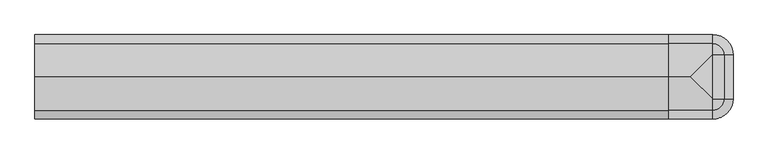
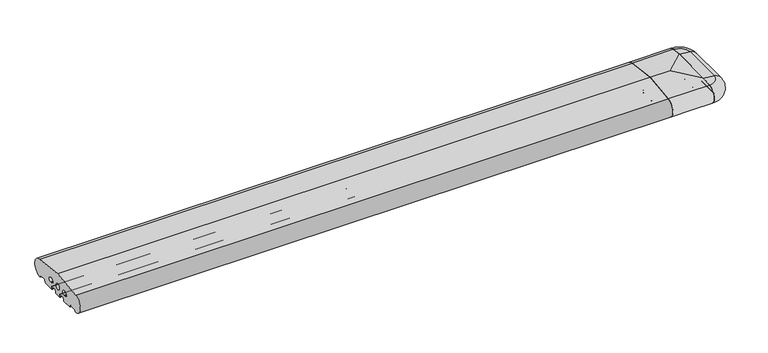
"""IFC4 building model written with IfcOpenShell, lengths in millimetres: proxy geometry."""

from ifc_helpers import new_model, si_unit, point, frame, frame_2d, origin, place, context, project, spatial, polyline, circle_curve, ellipse_curve, trimmed, segment, composite_curve, outline, extrude, source, transform, mapped, element, save
from ifc_brep_helpers import plane_surface, cylinder_surface, revolved_surface, advanced_brep


def generic_models_d52a9704(model_context):
    return source(origin(), model_context, "Body", "SolidModel", [
        advanced_brep(
        [(1713.0858073, 0.0, 50.4091909), (1685.0, 0.0, 53.7462575), (1685.0, -110.0, 53.7462575), (1713.0858073, -110.0, 50.4091909), (1685.0, 28.0858073, 50.4091909), (1685.0, 26.5981483, 2.5074549), (1685.0, 25.7072001, 3.0071443), (1685.0, 23.6905989, 6.5), (1685.0, 21.9585481, 7.5), (1685.0, 5.4848276, 7.5), (1685.0, 3.7527767, 6.5), (1685.0, 0.0, 0.0), (1685.0, -110.0, 0.0), (1685.0, -113.7527767, 6.5), (1685.0, -115.4848276, 7.5), (1685.0, -131.9585481, 7.5), (1685.0, -133.6905989, 6.5), (1685.0, -135.7072001, 3.0071443), (1685.0, -136.5981483, 2.5074549), (1685.0, -138.0858073, 50.4091909), (1688.7527767, 0.0, 6.5), (1688.7527767, -110.0, 6.5), (1690.4848276, 0.0, 7.5), (1690.4848276, -110.0, 7.5), (1706.9585481, 0.0, 7.5), (1706.9585481, -110.0, 7.5), (1708.6905989, 0.0, 6.5), (1708.6905989, -110.0, 6.5), (1710.7072001, 0.0, 3.0071443), (1710.7072001, -110.0, 3.0071443), (1711.5981483, 0.0, 2.5074549), (1711.5981483, -110.0, 2.5074549)],
        [
            (0, 1),
            (1, 2),
            (2, 3),
            (3, 0),
            (1, 4),
            (4, 5, circle_curve(frame((1685.0, 26.0, 26.5), z_axis=(-1.0, 0.0, 0.0), x_axis=(0.0, 1.0, 0.0)), 24.0)),
            (5, 6, circle_curve(frame((1685.0, 26.5732255, 3.5071443), z_axis=(-1.0, 0.0, 0.0), x_axis=(0.0, 1.0, 0.0)), 1.0)),
            (6, 7),
            (7, 8, circle_curve(frame((1685.0, 21.9585481, 5.5), z_axis=(1.0, 0.0, 0.0), x_axis=(0.0, 1.0, 0.0)), 2.0)),
            (8, 9),
            (9, 10, circle_curve(frame((1685.0, 5.4848276, 5.5), z_axis=(1.0, 0.0, 0.0), x_axis=(0.0, 1.0, 0.0)), 2.0)),
            (10, 11),
            (11, 12),
            (12, 13),
            (13, 14, circle_curve(frame((1685.0, -115.4848276, 5.5), z_axis=(1.0, 0.0, 0.0), x_axis=(0.0, -1.0, 0.0)), 2.0)),
            (14, 15),
            (15, 16, circle_curve(frame((1685.0, -131.9585481, 5.5), z_axis=(1.0, 0.0, 0.0), x_axis=(0.0, -1.0, 0.0)), 2.0)),
            (16, 17),
            (17, 18, circle_curve(frame((1685.0, -136.5732255, 3.5071443), z_axis=(-1.0, 0.0, 0.0), x_axis=(0.0, -1.0, 0.0)), 1.0)),
            (18, 19, circle_curve(frame((1685.0, -136.0, 26.5), z_axis=(-1.0, 0.0, 0.0), x_axis=(0.0, -1.0, 0.0)), 24.0)),
            (19, 2),
            (11, 20),
            (20, 21),
            (21, 12),
            (20, 22, circle_curve(frame((1690.4848276, 0.0, 5.5), z_axis=(0.0, 1.0, 0.0), x_axis=(1.0, 0.0, 0.0)), 2.0)),
            (22, 23),
            (23, 21, circle_curve(frame((1690.4848276, -110.0, 5.5), z_axis=(0.0, -1.0, 0.0), x_axis=(1.0, 0.0, 0.0)), 2.0)),
            (22, 9, circle_curve(frame((1685.0, 0.0, 7.5), z_axis=(0.0, 0.0, 1.0), x_axis=(1.0, 0.0, 0.0)), 5.4848276)),
            (8, 24, circle_curve(frame((1685.0, 0.0, 7.5), z_axis=(0.0, 0.0, -1.0), x_axis=(1.0, 0.0, 0.0)), 21.9585481)),
            (24, 25),
            (25, 15, circle_curve(frame((1685.0, -110.0, 7.5), z_axis=(0.0, 0.0, -1.0), x_axis=(1.0, 0.0, 0.0)), 21.9585481)),
            (14, 23, circle_curve(frame((1685.0, -110.0, 7.5), z_axis=(0.0, 0.0, 1.0), x_axis=(1.0, 0.0, 0.0)), 5.4848276)),
            (24, 26, circle_curve(frame((1706.9585481, 0.0, 5.5), z_axis=(0.0, 1.0, 0.0), x_axis=(1.0, 0.0, 0.0)), 2.0)),
            (26, 27),
            (27, 25, circle_curve(frame((1706.9585481, -110.0, 5.5), z_axis=(0.0, -1.0, 0.0), x_axis=(1.0, 0.0, 0.0)), 2.0)),
            (26, 28),
            (28, 29),
            (29, 27),
            (28, 30, circle_curve(frame((1711.5732255, 0.0, 3.5071443), z_axis=(0.0, -1.0, 0.0), x_axis=(1.0, 0.0, 0.0)), 1.0)),
            (30, 31),
            (31, 29, circle_curve(frame((1711.5732255, -110.0, 3.5071443), z_axis=(0.0, 1.0, 0.0), x_axis=(1.0, 0.0, 0.0)), 1.0)),
            (3, 31, circle_curve(frame((1711.0, -110.0, 26.5), z_axis=(0.0, 1.0, 0.0), x_axis=(1.0, 0.0, 0.0)), 24.0)),
            (30, 0, circle_curve(frame((1711.0, 0.0, 26.5), z_axis=(0.0, -1.0, 0.0), x_axis=(1.0, 0.0, 0.0)), 24.0)),
            (4, 0, circle_curve(frame((1685.0, 0.0, 50.4091909), z_axis=(0.0, 0.0, -1.0), x_axis=(1.0, 0.0, 0.0)), 28.0858073)),
            (30, 5, circle_curve(frame((1685.0, 0.0, 2.5074549), z_axis=(0.0, 0.0, 1.0), x_axis=(1.0, 0.0, 0.0)), 26.5981483)),
            (28, 6, circle_curve(frame((1685.0, 0.0, 3.0071443), z_axis=(0.0, 0.0, 1.0), x_axis=(1.0, 0.0, 0.0)), 25.7072001)),
            (26, 7, circle_curve(frame((1685.0, 0.0, 6.5), z_axis=(0.0, 0.0, 1.0), x_axis=(1.0, 0.0, 0.0)), 23.6905989)),
            (20, 10, circle_curve(frame((1685.0, 0.0, 6.5), z_axis=(0.0, 0.0, 1.0), x_axis=(1.0, 0.0, 0.0)), 3.7527767)),
            (18, 31, circle_curve(frame((1685.0, -110.0, 2.5074549), z_axis=(0.0, 0.0, 1.0), x_axis=(1.0, 0.0, 0.0)), 26.5981483)),
            (3, 19, circle_curve(frame((1685.0, -110.0, 50.4091909), z_axis=(0.0, 0.0, -1.0), x_axis=(1.0, 0.0, 0.0)), 28.0858073)),
            (17, 29, circle_curve(frame((1685.0, -110.0, 3.0071443), z_axis=(0.0, 0.0, 1.0), x_axis=(1.0, 0.0, 0.0)), 25.7072001)),
            (16, 27, circle_curve(frame((1685.0, -110.0, 6.5), z_axis=(0.0, 0.0, 1.0), x_axis=(1.0, 0.0, 0.0)), 23.6905989)),
            (13, 21, circle_curve(frame((1685.0, -110.0, 6.5), z_axis=(0.0, 0.0, 1.0), x_axis=(1.0, 0.0, 0.0)), 3.7527767)),
        ],
        [
            plane_surface(frame((1713.0858073, 0.0, 50.4091909), z_axis=(0.11798691299107415, 0.0, 0.9930151501174778), x_axis=(0.0, -1.0, 0.0))),
            plane_surface(frame((1685.0, 0.0, 53.7462575), z_axis=(-1.0, 0.0, 0.0), x_axis=(0.0, -1.0, 0.0))),
            plane_surface(frame((1685.0, 0.0, 0.0), z_axis=(0.8660254037844363, 0.0, -0.5000000000000042), x_axis=(0.0, -1.0, 0.0))),
            revolved_surface(polyline([(1692.4848276, -110.0, 5.5), (1692.4848276, 0.0, 5.5)]), (1690.4848276, 0.0, 5.5), (0.0, -1.0, 0.0)),
            plane_surface(frame((1690.4848276, 0.0, 7.5), z_axis=(0.0, 0.0, -1.0), x_axis=(0.0, -1.0, 0.0))),
            revolved_surface(polyline([(1708.9585481, -110.0, 5.5), (1708.9585481, 0.0, 5.5)]), (1706.9585481, 0.0, 5.5), (0.0, -1.0, 0.0)),
            plane_surface(frame((1708.6905989, 0.0, 6.5), z_axis=(-0.8660254037844392, 0.0, -0.4999999999999992), x_axis=(0.0, -1.0, 0.0))),
            cylinder_surface(frame((1711.5732255, 0.0, 3.5071443), z_axis=(0.0, 1.0, 0.0), x_axis=(1.0, 0.0, 0.0)), 1.0),
            cylinder_surface(frame((1711.0, 0.0, 26.5), z_axis=(0.0, 1.0, 0.0), x_axis=(1.0, 0.0, 0.0)), 24.0),
            revolved_surface(trimmed(ellipse_curve(frame((1711.0, 0.0, 26.5), z_axis=(0.0, -1.0, 0.0), x_axis=(1.0, 0.0, 0.0)), 24.0, 24.0), [point((1711.5981483, 0.0, 2.5074549))], [point((1713.0858073, 0.0, 50.4091909))], True, "CARTESIAN"), (1685.0, 0.0, 0.0), (0.0, 0.0, 1.0)),
            revolved_surface(trimmed(ellipse_curve(frame((1711.5732255, 0.0, 3.5071443), z_axis=(0.0, -1.0, 0.0), x_axis=(1.0, 0.0, 0.0)), 1.0, 1.0), [point((1710.7072001, 0.0, 3.0071443))], [point((1711.5981483, 0.0, 2.5074549))], True, "CARTESIAN"), (1685.0, 0.0, 0.0), (0.0, 0.0, 1.0)),
            revolved_surface(polyline([(1708.6905989, 0.0, 6.5), (1710.7072001, 0.0, 3.0071443)]), (1685.0, 0.0, 0.0), (0.0, 0.0, 1.0)),
            revolved_surface(trimmed(ellipse_curve(frame((1706.9585481, 0.0, 5.5), z_axis=(0.0, 1.0, 0.0), x_axis=(1.0, 0.0, 0.0)), 2.0, 2.0), [point((1706.9585481, 0.0, 7.5))], [point((1708.6905989, 0.0, 6.5))], True, "CARTESIAN"), (1685.0, 0.0, 0.0), (0.0, 0.0, 1.0)),
            revolved_surface(trimmed(ellipse_curve(frame((1690.4848276, 0.0, 5.5), z_axis=(0.0, 1.0, 0.0), x_axis=(1.0, 0.0, 0.0)), 2.0, 2.0), [point((1688.7527767, 0.0, 6.5))], [point((1690.4848276, 0.0, 7.5))], True, "CARTESIAN"), (1685.0, 0.0, 0.0), (0.0, 0.0, 1.0)),
            revolved_surface(polyline([(1685.0, 0.0, 0.0), (1688.7527767, 0.0, 6.5)]), (1685.0, 0.0, 0.0), (0.0, 0.0, 1.0)),
            revolved_surface(polyline([(1713.0858073, 0.0, 50.4091909), (1685.0, 0.0, 53.7462575)]), (1685.0, 0.0, 0.0), (0.0, 0.0, 1.0)),
            revolved_surface(trimmed(ellipse_curve(frame((1711.0, -110.0, 26.5), z_axis=(0.0, 1.0, 0.0), x_axis=(1.0, 0.0, 0.0)), 24.0, 24.0), [point((1713.0858073, -110.0, 50.4091909))], [point((1711.5981483, -110.0, 2.5074549))], True, "CARTESIAN"), (1685.0, -110.0, 0.0), (0.0, 0.0, -1.0)),
            revolved_surface(trimmed(ellipse_curve(frame((1711.5732255, -110.0, 3.5071443), z_axis=(0.0, 1.0, 0.0), x_axis=(1.0, 0.0, 0.0)), 1.0, 1.0), [point((1711.5981483, -110.0, 2.5074549))], [point((1710.7072001, -110.0, 3.0071443))], True, "CARTESIAN"), (1685.0, -110.0, 0.0), (0.0, 0.0, -1.0)),
            revolved_surface(polyline([(1710.7072001, -110.0, 3.0071443), (1708.6905989, -110.0, 6.5)]), (1685.0, -110.0, 0.0), (0.0, 0.0, -1.0)),
            revolved_surface(trimmed(ellipse_curve(frame((1706.9585481, -110.0, 5.5), z_axis=(0.0, -1.0, 0.0), x_axis=(1.0, 0.0, 0.0)), 2.0, 2.0), [point((1708.6905989, -110.0, 6.5))], [point((1706.9585481, -110.0, 7.5))], True, "CARTESIAN"), (1685.0, -110.0, 0.0), (0.0, 0.0, -1.0)),
            revolved_surface(trimmed(ellipse_curve(frame((1690.4848276, -110.0, 5.5), z_axis=(0.0, -1.0, 0.0), x_axis=(1.0, 0.0, 0.0)), 2.0, 2.0), [point((1690.4848276, -110.0, 7.5))], [point((1688.7527767, -110.0, 6.5))], True, "CARTESIAN"), (1685.0, -110.0, 0.0), (0.0, 0.0, -1.0)),
            revolved_surface(polyline([(1688.7527767, -110.0, 6.5), (1685.0, -110.0, 0.0)]), (1685.0, -110.0, 0.0), (0.0, 0.0, -1.0)),
            revolved_surface(polyline([(1685.0, -110.0, 53.7462575), (1713.0858073, -110.0, 50.4091909)]), (1685.0, -110.0, 0.0), (0.0, 0.0, -1.0)),
        ],
        [
            (0, [[1, 2, 3, 4]]),
            (1, [[5, 6, 7, 8, 9, 10, 11, 12, 13, 14, 15, 16, 17, 18, 19, 20, 21, -2]]),
            (2, [[22, 23, 24, -13]]),
            (3, [[25, 26, 27, -23]]),
            (4, [[28, -10, 29, 30, 31, -16, 32, -26]]),
            (5, [[33, 34, 35, -30]]),
            (6, [[36, 37, 38, -34]]),
            (7, [[39, 40, 41, -37]]),
            (8, [[42, -40, 43, -4]]),
            (9, [[44, -43, 45, -6]]),
            (10, [[-45, -39, 46, -7]]),
            (11, [[-46, -36, 47, -8]]),
            (12, [[-47, -33, -29, -9]]),
            (13, [[-28, -25, 48, -11]]),
            (14, [[-48, -22, -12]]),
            (15, [[-1, -44, -5]]),
            (16, [[49, -42, 50, -20]]),
            (17, [[51, -41, -49, -19]]),
            (18, [[52, -38, -51, -18]]),
            (19, [[-31, -35, -52, -17]]),
            (20, [[53, -27, -32, -15]]),
            (21, [[-24, -53, -14]]),
            (22, [[-50, -3, -21]]),
        ],
    ),
        advanced_brep(
        [(1685.0, -136.5981483, 2.5074549), (1685.0, -135.7072001, 3.0071443), (1685.0, -133.6905989, 6.5), (1685.0, -131.9585481, 7.5), (1685.0, -115.4848276, 7.5), (1685.0, -113.7527767, 6.5), (1685.0, -110.2886751, 0.5), (1685.0, -109.4226497, 0.0), (1685.0, -83.0, 0.0), (1685.0, -82.0, 1.0), (1685.0, -82.0, 7.0), (1685.0, -80.0, 9.0), (1685.0, -67.0, 9.0), (1685.0, -65.0, 7.0), (1685.0, -65.0, 1.0), (1685.0, -64.0, 0.0), (1685.0, -46.0, 0.0), (1685.0, -45.0, 1.0), (1685.0, -45.0, 7.0), (1685.0, -43.0, 9.0), (1685.0, -30.0, 9.0), (1685.0, -28.0, 7.0), (1685.0, -28.0, 1.0), (1685.0, -27.0, 0.0), (1685.0, -0.5773503, 0.0), (1685.0, 0.2886751, 0.5), (1685.0, 3.7527767, 6.5), (1685.0, 5.4848276, 7.5), (1685.0, 21.9585481, 7.5), (1685.0, 23.6905989, 6.5), (1685.0, 25.7072001, 3.0071443), (1685.0, 26.5981483, 2.5074549), (1685.0, 28.0858073, 50.4091909), (1685.0, 0.3340136, 53.7462575), (1685.0, -110.3340136, 53.7462575), (1685.0, -138.0858073, 50.4091909), (1685.0, -84.3659949, 17.8353497), (1685.0, -87.6340051, 17.8353497), (1685.0, -87.6340051, 29.8353497), (1685.0, -84.3659949, 29.8353497), (1685.0, -62.9623451, 23.8353497), (1685.0, -47.0376549, 23.8353497), (1685.0, -25.6340051, 17.8353497), (1685.0, -25.6340051, 29.8353497), (1685.0, -22.3659949, 29.8353497), (1685.0, -22.3659949, 17.8353497), (1575.0, -136.5981483, 2.5074549), (1575.0, -138.0858073, 50.4091909), (1575.0, -55.0, 60.4), (1575.0, 28.0858073, 50.4091909), (1575.0, 26.5981483, 2.5074549), (1575.0, 25.7072001, 3.0071443), (1575.0, 23.6905989, 6.5), (1575.0, 21.9585481, 7.5), (1575.0, 5.4848276, 7.5), (1575.0, 3.7527767, 6.5), (1575.0, 0.2886751, 0.5), (1575.0, -0.5773503, 0.0), (1575.0, -27.0, 0.0), (1575.0, -28.0, 1.0), (1575.0, -28.0, 7.0), (1575.0, -30.0, 9.0), (1575.0, -43.0, 9.0), (1575.0, -45.0, 7.0), (1575.0, -45.0, 1.0), (1575.0, -46.0, 0.0), (1575.0, -64.0, 0.0), (1575.0, -65.0, 1.0), (1575.0, -65.0, 7.0), (1575.0, -67.0, 9.0), (1575.0, -80.0, 9.0), (1575.0, -82.0, 7.0), (1575.0, -82.0, 1.0), (1575.0, -83.0, 0.0), (1575.0, -109.4226497, 0.0), (1575.0, -110.2886751, 0.5), (1575.0, -113.7527767, 6.5), (1575.0, -115.4848276, 7.5), (1575.0, -131.9585481, 7.5), (1575.0, -133.6905989, 6.5), (1575.0, -135.7072001, 3.0071443), (1575.0, -84.3659949, 17.8353497), (1575.0, -84.3659949, 29.8353497), (1575.0, -87.6340051, 29.8353497), (1575.0, -87.6340051, 17.8353497), (1575.0, -62.9623451, 23.8353497), (1575.0, -47.0376549, 23.8353497), (1575.0, -25.6340051, 17.8353497), (1575.0, -22.3659949, 17.8353497), (1575.0, -22.3659949, 29.8353497), (1575.0, -25.6340051, 29.8353497), (1629.0, -55.0, 60.4)],
        [
            (0, 1, circle_curve(frame((1685.0, -136.5732255, 3.5071443), z_axis=(1.0, 0.0, 0.0), x_axis=(0.0, -0.024922847684081085, -0.999689377588517)), 1.0)),
            (1, 2),
            (2, 3, circle_curve(frame((1685.0, -131.9585481, 5.5), z_axis=(-1.0, 0.0, 0.0), x_axis=(0.0, -0.8660254037844379, 0.5000000000000012)), 2.0)),
            (3, 4),
            (4, 5, circle_curve(frame((1685.0, -115.4848276, 5.5), z_axis=(-1.0, 0.0, 0.0), x_axis=(0.0, 0.0, 1.0)), 2.0)),
            (5, 6),
            (6, 7, circle_curve(frame((1685.0, -109.4226497, 1.0), z_axis=(1.0, 0.0, 0.0), x_axis=(0.0, -0.8660254037844339, -0.5000000000000082)), 1.0)),
            (7, 8),
            (8, 9, circle_curve(frame((1685.0, -83.0, 1.0), z_axis=(1.0, 0.0, 0.0), x_axis=(0.0, 0.0, -1.0)), 1.0)),
            (9, 10),
            (10, 11, circle_curve(frame((1685.0, -80.0, 7.0), z_axis=(-1.0, 0.0, 0.0), x_axis=(0.0, -1.0, 0.0)), 2.0)),
            (11, 12),
            (12, 13, circle_curve(frame((1685.0, -67.0, 7.0), z_axis=(-1.0, 0.0, 0.0), x_axis=(0.0, 0.0, 1.0)), 2.0)),
            (13, 14),
            (14, 15, circle_curve(frame((1685.0, -64.0, 1.0), z_axis=(1.0, 0.0, 0.0), x_axis=(0.0, -1.0, 0.0)), 1.0)),
            (15, 16),
            (16, 17, circle_curve(frame((1685.0, -46.0, 1.0), z_axis=(1.0, 0.0, 0.0), x_axis=(0.0, 1.0, 0.0)), 1.0)),
            (17, 18),
            (18, 19, circle_curve(frame((1685.0, -43.0, 7.0), z_axis=(-1.0, 0.0, 0.0), x_axis=(0.0, 0.0, 1.0)), 2.0)),
            (19, 20),
            (20, 21, circle_curve(frame((1685.0, -30.0, 7.0), z_axis=(-1.0, 0.0, 0.0), x_axis=(0.0, 1.0, 0.0)), 2.0)),
            (21, 22),
            (22, 23, circle_curve(frame((1685.0, -27.0, 1.0), z_axis=(1.0, 0.0, 0.0), x_axis=(0.0, 0.0, -1.0)), 1.0)),
            (23, 24),
            (24, 25, circle_curve(frame((1685.0, -0.5773503, 1.0), z_axis=(1.0, 0.0, 0.0), x_axis=(0.0, 0.8660254037844339, -0.5000000000000082)), 1.0)),
            (25, 26),
            (26, 27, circle_curve(frame((1685.0, 5.4848276, 5.5), z_axis=(-1.0, 0.0, 0.0), x_axis=(0.0, 0.0, 1.0)), 2.0)),
            (27, 28),
            (28, 29, circle_curve(frame((1685.0, 21.9585481, 5.5), z_axis=(-1.0, 0.0, 0.0), x_axis=(0.0, 0.8660254037844379, 0.5000000000000012)), 2.0)),
            (29, 30),
            (30, 31, circle_curve(frame((1685.0, 26.5732255, 3.5071443), z_axis=(1.0, 0.0, 0.0), x_axis=(0.0, 0.024922847684081085, -0.999689377588517)), 1.0)),
            (31, 32, circle_curve(frame((1685.0, 26.0, 26.5), z_axis=(1.0, 0.0, 0.0), x_axis=(0.0, 0.08690863944627836, 0.9962162859487877)), 24.0)),
            (32, 33),
            (33, 34),
            (34, 35),
            (35, 0, circle_curve(frame((1685.0, -136.0, 26.5), z_axis=(1.0, 0.0, 0.0), x_axis=(0.0, -0.08690863944627836, 0.9962162859487877)), 24.0)),
            (36, 37),
            (37, 38, circle_curve(frame((1685.0, -88.0037949, 23.8353497), z_axis=(-1.0, 0.0, 0.0), x_axis=(0.0, 0.061514911664663253, -0.9981061645150223)), 6.0113846)),
            (38, 39),
            (39, 36, circle_curve(frame((1685.0, -83.9962051, 23.8353497), z_axis=(-1.0, 0.0, 0.0), x_axis=(0.0, -0.061514911664729485, 0.9981061645150182)), 6.0113846)),
            (40, 41, circle_curve(frame((1685.0, -55.0, 23.8353497), z_axis=(-1.0, 0.0, 0.0), x_axis=(0.0, 1.0, 0.0)), 7.9623451)),
            (41, 40, circle_curve(frame((1685.0, -55.0, 23.8353497), z_axis=(-1.0, 0.0, 0.0), x_axis=(0.0, 1.0, 0.0)), 7.9623451)),
            (42, 43, circle_curve(frame((1685.0, -26.0037949, 23.8353497), z_axis=(-1.0, 0.0, 0.0), x_axis=(0.0, 0.061514911664729485, 0.9981061645150182)), 6.0113846)),
            (43, 44),
            (44, 45, circle_curve(frame((1685.0, -21.9962051, 23.8353497), z_axis=(-1.0, 0.0, 0.0), x_axis=(0.0, -0.061514911664663253, -0.9981061645150223)), 6.0113846)),
            (45, 42),
            (46, 47, circle_curve(frame((1575.0, -136.0, 26.5), z_axis=(-1.0, 0.0, 0.0), x_axis=(0.0, -0.08690863944627836, 0.9962162859487877)), 24.0)),
            (47, 48),
            (48, 49),
            (49, 50, circle_curve(frame((1575.0, 26.0, 26.5), z_axis=(-1.0, 0.0, 0.0), x_axis=(0.0, 0.08690863944627836, 0.9962162859487877)), 24.0)),
            (50, 51, circle_curve(frame((1575.0, 26.5732255, 3.5071443), z_axis=(-1.0, 0.0, 0.0), x_axis=(0.0, 0.024922847684081085, -0.999689377588517)), 1.0)),
            (51, 52),
            (52, 53, circle_curve(frame((1575.0, 21.9585481, 5.5), z_axis=(1.0, 0.0, 0.0), x_axis=(0.0, 0.8660254037844379, 0.5000000000000012)), 2.0)),
            (53, 54),
            (54, 55, circle_curve(frame((1575.0, 5.4848276, 5.5), z_axis=(1.0, 0.0, 0.0), x_axis=(0.0, 0.0, 1.0)), 2.0)),
            (55, 56),
            (56, 57, circle_curve(frame((1575.0, -0.5773503, 1.0), z_axis=(-1.0, 0.0, 0.0), x_axis=(0.0, 0.8660254037844339, -0.5000000000000082)), 1.0)),
            (57, 58),
            (58, 59, circle_curve(frame((1575.0, -27.0, 1.0), z_axis=(-1.0, 0.0, 0.0), x_axis=(0.0, 0.0, -1.0)), 1.0)),
            (59, 60),
            (60, 61, circle_curve(frame((1575.0, -30.0, 7.0), z_axis=(1.0, 0.0, 0.0), x_axis=(0.0, 1.0, 0.0)), 2.0)),
            (61, 62),
            (62, 63, circle_curve(frame((1575.0, -43.0, 7.0), z_axis=(1.0, 0.0, 0.0), x_axis=(0.0, 0.0, 1.0)), 2.0)),
            (63, 64),
            (64, 65, circle_curve(frame((1575.0, -46.0, 1.0), z_axis=(-1.0, 0.0, 0.0), x_axis=(0.0, 1.0, 0.0)), 1.0)),
            (65, 66),
            (66, 67, circle_curve(frame((1575.0, -64.0, 1.0), z_axis=(-1.0, 0.0, 0.0), x_axis=(0.0, -1.0, 0.0)), 1.0)),
            (67, 68),
            (68, 69, circle_curve(frame((1575.0, -67.0, 7.0), z_axis=(1.0, 0.0, 0.0), x_axis=(0.0, 0.0, 1.0)), 2.0)),
            (69, 70),
            (70, 71, circle_curve(frame((1575.0, -80.0, 7.0), z_axis=(1.0, 0.0, 0.0), x_axis=(0.0, -1.0, 0.0)), 2.0)),
            (71, 72),
            (72, 73, circle_curve(frame((1575.0, -83.0, 1.0), z_axis=(-1.0, 0.0, 0.0), x_axis=(0.0, 0.0, -1.0)), 1.0)),
            (73, 74),
            (74, 75, circle_curve(frame((1575.0, -109.4226497, 1.0), z_axis=(-1.0, 0.0, 0.0), x_axis=(0.0, -0.8660254037844339, -0.5000000000000082)), 1.0)),
            (75, 76),
            (76, 77, circle_curve(frame((1575.0, -115.4848276, 5.5), z_axis=(1.0, 0.0, 0.0), x_axis=(0.0, 0.0, 1.0)), 2.0)),
            (77, 78),
            (78, 79, circle_curve(frame((1575.0, -131.9585481, 5.5), z_axis=(1.0, 0.0, 0.0), x_axis=(0.0, -0.8660254037844379, 0.5000000000000012)), 2.0)),
            (79, 80),
            (80, 46, circle_curve(frame((1575.0, -136.5732255, 3.5071443), z_axis=(-1.0, 0.0, 0.0), x_axis=(0.0, -0.024922847684081085, -0.999689377588517)), 1.0)),
            (81, 82, circle_curve(frame((1575.0, -83.9962051, 23.8353497), z_axis=(1.0, 0.0, 0.0), x_axis=(0.0, -0.061514911664729485, 0.9981061645150182)), 6.0113846)),
            (82, 83),
            (83, 84, circle_curve(frame((1575.0, -88.0037949, 23.8353497), z_axis=(1.0, 0.0, 0.0), x_axis=(0.0, 0.061514911664663253, -0.9981061645150223)), 6.0113846)),
            (84, 81),
            (85, 86, circle_curve(frame((1575.0, -55.0, 23.8353497), z_axis=(1.0, 0.0, 0.0), x_axis=(0.0, 1.0, 0.0)), 7.9623451)),
            (86, 85, circle_curve(frame((1575.0, -55.0, 23.8353497), z_axis=(1.0, 0.0, 0.0), x_axis=(0.0, 1.0, 0.0)), 7.9623451)),
            (87, 88),
            (88, 89, circle_curve(frame((1575.0, -21.9962051, 23.8353497), z_axis=(1.0, 0.0, 0.0), x_axis=(0.0, -0.061514911664663253, -0.9981061645150223)), 6.0113846)),
            (89, 90),
            (90, 87, circle_curve(frame((1575.0, -26.0037949, 23.8353497), z_axis=(1.0, 0.0, 0.0), x_axis=(0.0, 0.061514911664729485, 0.9981061645150182)), 6.0113846)),
            (15, 66),
            (65, 16),
            (14, 67),
            (13, 68),
            (12, 69),
            (11, 70),
            (10, 71),
            (9, 72),
            (8, 73),
            (7, 74),
            (6, 75),
            (5, 76),
            (4, 77),
            (3, 78),
            (2, 79),
            (1, 80),
            (0, 46),
            (35, 47),
            (34, 91),
            (91, 48),
            (39, 82),
            (81, 36),
            (38, 83),
            (37, 84),
            (41, 86),
            (85, 40),
            (33, 91),
            (32, 49),
            (31, 50),
            (30, 51),
            (29, 52),
            (28, 53),
            (27, 54),
            (26, 55),
            (25, 56),
            (24, 57),
            (23, 58),
            (22, 59),
            (21, 60),
            (20, 61),
            (19, 62),
            (18, 63),
            (17, 64),
            (45, 88),
            (87, 42),
            (44, 89),
            (43, 90),
        ],
        [
            plane_surface(frame((1685.0, 0.0, 0.0), z_axis=(1.0, 0.0, 0.0), x_axis=(0.0, 0.0, 1.0))),
            plane_surface(frame((1575.0, 0.0, 0.0), z_axis=(-1.0, 0.0, 0.0), x_axis=(0.0, 0.0, 1.0))),
            plane_surface(frame((1685.0, -55.0, 0.0), z_axis=(0.0, 0.0, -1.0), x_axis=(-1.0, 0.0, 0.0))),
            cylinder_surface(frame((1685.0, -64.0, 1.0), z_axis=(1.0, 0.0, 0.0), x_axis=(0.0, -1.0, 0.0)), 1.0),
            plane_surface(frame((1685.0, -65.0, 1.0), z_axis=(0.0, -1.0, 0.0), x_axis=(-1.0, 0.0, 0.0))),
            revolved_surface(polyline([(1575.0, -67.0, 9.0), (1685.0, -67.0, 9.0)]), (1685.0, -67.0, 7.0), (-1.0, 0.0, 0.0)),
            plane_surface(frame((1685.0, -67.0, 9.0), z_axis=(0.0, 0.0, -1.0), x_axis=(-1.0, 0.0, 0.0))),
            revolved_surface(polyline([(1575.0, -82.0, 7.0), (1685.0, -82.0, 7.0)]), (1685.0, -80.0, 7.0), (-1.0, 0.0, 0.0)),
            plane_surface(frame((1685.0, -82.0, 7.0), z_axis=(0.0, 1.0, 0.0), x_axis=(-1.0, 0.0, 0.0))),
            cylinder_surface(frame((1685.0, -83.0, 1.0), z_axis=(1.0, 0.0, 0.0), x_axis=(0.0, 0.0, -1.0)), 1.0),
            plane_surface(frame((1685.0, -83.0, 0.0), z_axis=(0.0, 0.0, -1.0), x_axis=(-1.0, 0.0, 0.0))),
            cylinder_surface(frame((1685.0, -109.4226497, 1.0), z_axis=(1.0, 0.0, 0.0), x_axis=(0.0, -0.8660254037844339, -0.5000000000000082)), 1.0),
            plane_surface(frame((1685.0, -110.2886751, 0.5), z_axis=(0.0, -0.8660254037844349, -0.5000000000000064), x_axis=(-1.0, 0.0, 0.0))),
            revolved_surface(polyline([(1575.0, -115.4848276, 7.5), (1685.0, -115.4848276, 7.5)]), (1685.0, -115.4848276, 5.5), (-1.0, 0.0, 0.0)),
            plane_surface(frame((1685.0, -115.4848276, 7.5), z_axis=(0.0, 0.0, -1.0), x_axis=(-1.0, 0.0, 0.0))),
            revolved_surface(polyline([(1575.0, -133.69059890756887, 6.500000000000003), (1685.0, -133.69059890756887, 6.500000000000003)]), (1685.0, -131.9585481, 5.5), (-1.0, 0.0, 0.0)),
            plane_surface(frame((1685.0, -133.6905989, 6.5), z_axis=(0.0, 0.8660254037844368, -0.5000000000000032), x_axis=(-1.0, 0.0, 0.0))),
            cylinder_surface(frame((1685.0, -136.5732255, 3.5071443), z_axis=(1.0000000000000002, 0.0, 0.0), x_axis=(0.0, -0.024922847684081085, -0.999689377588517)), 1.0),
            cylinder_surface(frame((1685.0, -136.0, 26.5), z_axis=(1.0, 0.0, 0.0), x_axis=(0.0, -0.08690863944627836, 0.9962162859487877)), 24.0),
            plane_surface(frame((1685.0, -138.0858073, 50.4091909), z_axis=(0.0, -0.11938685218914781, 0.9928478128718251), x_axis=(-1.0, 0.0, 0.0))),
            revolved_surface(polyline([(1575.0, -84.36599489265171, 29.835349726530644), (1685.0, -84.36599489265171, 29.835349726530644)]), (1685.0, -83.9962051, 23.8353497), (-1.0, 0.0, 0.0)),
            plane_surface(frame((1685.0, -84.3659949, 29.8353497), z_axis=(0.0, 0.0, -1.0), x_axis=(-1.0, 0.0, 0.0))),
            revolved_surface(polyline([(1575.0, -87.63400510734868, 17.835349673469327), (1685.0, -87.63400510734868, 17.835349673469327)]), (1685.0, -88.0037949, 23.8353497), (-1.0000000000000002, 0.0, 0.0)),
            plane_surface(frame((1685.0, -87.6340051, 17.8353497), z_axis=(0.0, 0.0, 1.0), x_axis=(-1.0, 0.0, 0.0))),
            revolved_surface(polyline([(1575.0, -47.0376549, 23.8353497), (1685.0, -47.0376549, 23.8353497)]), (1685.0, -55.0, 23.8353497), (-1.0, 0.0, 0.0)),
            plane_surface(frame((1749.9291446, -250.0, 46.0315823), z_axis=(0.11798691299107414, 0.0, 0.9930151501174778), x_axis=(0.0, 1.0, 0.0))),
            plane_surface(frame((1685.0, -55.0, 60.4), z_axis=(0.0, 0.11938685218914852, 0.992847812871825), x_axis=(-1.0, 0.0, 0.0))),
            cylinder_surface(frame((1685.0, 26.0, 26.5), z_axis=(1.0, 0.0, 0.0), x_axis=(0.0, 0.08690863944627836, 0.9962162859487877)), 24.0),
            cylinder_surface(frame((1685.0, 26.5732255, 3.5071443), z_axis=(1.0000000000000002, 0.0, 0.0), x_axis=(0.0, 0.024922847684081085, -0.999689377588517)), 1.0),
            plane_surface(frame((1685.0, 25.7072001, 3.0071443), z_axis=(0.0, -0.8660254037844368, -0.5000000000000032), x_axis=(-1.0, 0.0, 0.0))),
            revolved_surface(polyline([(1575.0, 23.690598907568877, 6.500000000000003), (1685.0, 23.690598907568877, 6.500000000000003)]), (1685.0, 21.9585481, 5.5), (-1.0, 0.0, 0.0)),
            plane_surface(frame((1685.0, 21.9585481, 7.5), z_axis=(0.0, 0.0, -1.0), x_axis=(-1.0, 0.0, 0.0))),
            revolved_surface(polyline([(1575.0, 5.4848276, 7.5), (1685.0, 5.4848276, 7.5)]), (1685.0, 5.4848276, 5.5), (-1.0, 0.0, 0.0)),
            plane_surface(frame((1685.0, 3.7527767, 6.5), z_axis=(0.0, 0.8660254037844349, -0.5000000000000064), x_axis=(-1.0, 0.0, 0.0))),
            cylinder_surface(frame((1685.0, -0.5773503, 1.0), z_axis=(1.0, 0.0, 0.0), x_axis=(0.0, 0.8660254037844339, -0.5000000000000082)), 1.0),
            plane_surface(frame((1685.0, -0.5773503, 0.0), z_axis=(0.0, 0.0, -1.0), x_axis=(-1.0, 0.0, 0.0))),
            cylinder_surface(frame((1685.0, -27.0, 1.0), z_axis=(1.0, 0.0, 0.0), x_axis=(0.0, 0.0, -1.0)), 1.0),
            plane_surface(frame((1685.0, -28.0, 1.0), z_axis=(0.0, -1.0, 0.0), x_axis=(-1.0, 0.0, 0.0))),
            revolved_surface(polyline([(1575.0, -28.0, 7.0), (1685.0, -28.0, 7.0)]), (1685.0, -30.0, 7.0), (-1.0, 0.0, 0.0)),
            plane_surface(frame((1685.0, -30.0, 9.0), z_axis=(0.0, 0.0, -1.0), x_axis=(-1.0, 0.0, 0.0))),
            revolved_surface(polyline([(1575.0, -43.0, 9.0), (1685.0, -43.0, 9.0)]), (1685.0, -43.0, 7.0), (-1.0, 0.0, 0.0)),
            plane_surface(frame((1685.0, -45.0, 7.0), z_axis=(0.0, 1.0, 0.0), x_axis=(-1.0, 0.0, 0.0))),
            cylinder_surface(frame((1685.0, -46.0, 1.0), z_axis=(1.0, 0.0, 0.0), x_axis=(0.0, 1.0, 0.0)), 1.0),
            plane_surface(frame((1685.0, -25.6340051, 17.8353497), z_axis=(0.0, 0.0, 1.0), x_axis=(-1.0, 0.0, 0.0))),
            revolved_surface(polyline([(1575.0, -22.36599489265132, 17.835349673469327), (1685.0, -22.36599489265132, 17.835349673469327)]), (1685.0, -21.9962051, 23.8353497), (-1.0000000000000002, 0.0, 0.0)),
            plane_surface(frame((1685.0, -22.3659949, 29.8353497), z_axis=(0.0, 0.0, -1.0), x_axis=(-1.0, 0.0, 0.0))),
            revolved_surface(polyline([(1575.0, -25.634005107348283, 29.835349726530644), (1685.0, -25.634005107348283, 29.835349726530644)]), (1685.0, -26.0037949, 23.8353497), (-1.0, 0.0, 0.0)),
        ],
        [
            (0, [[1, 2, 3, 4, 5, 6, 7, 8, 9, 10, 11, 12, 13, 14, 15, 16, 17, 18, 19, 20, 21, 22, 23, 24, 25, 26, 27, 28, 29, 30, 31, 32, 33, 34, 35, 36], [37, 38, 39, 40], [41, 42], [43, 44, 45, 46]]),
            (1, [[47, 48, 49, 50, 51, 52, 53, 54, 55, 56, 57, 58, 59, 60, 61, 62, 63, 64, 65, 66, 67, 68, 69, 70, 71, 72, 73, 74, 75, 76, 77, 78, 79, 80, 81], [82, 83, 84, 85], [86, 87], [88, 89, 90, 91]]),
            (2, [[92, -66, 93, -16]]),
            (3, [[94, -67, -92, -15]]),
            (4, [[95, -68, -94, -14]]),
            (5, [[96, -69, -95, -13]]),
            (6, [[97, -70, -96, -12]]),
            (7, [[98, -71, -97, -11]]),
            (8, [[99, -72, -98, -10]]),
            (9, [[100, -73, -99, -9]]),
            (10, [[101, -74, -100, -8]]),
            (11, [[102, -75, -101, -7]]),
            (12, [[103, -76, -102, -6]]),
            (13, [[104, -77, -103, -5]]),
            (14, [[105, -78, -104, -4]]),
            (15, [[106, -79, -105, -3]]),
            (16, [[107, -80, -106, -2]]),
            (17, [[108, -81, -107, -1]]),
            (18, [[109, -47, -108, -36]]),
            (19, [[-109, -35, 110, 111, -48]]),
            (20, [[112, -82, 113, -40]]),
            (21, [[114, -83, -112, -39]]),
            (22, [[115, -84, -114, -38]]),
            (23, [[-113, -85, -115, -37]]),
            (24, [[116, -86, 117, -42]]),
            (24, [[-117, -87, -116, -41]]),
            (25, [[118, -110, -34]]),
            (26, [[-111, -118, -33, 119, -49]]),
            (27, [[120, -50, -119, -32]]),
            (28, [[121, -51, -120, -31]]),
            (29, [[122, -52, -121, -30]]),
            (30, [[123, -53, -122, -29]]),
            (31, [[124, -54, -123, -28]]),
            (32, [[125, -55, -124, -27]]),
            (33, [[126, -56, -125, -26]]),
            (34, [[127, -57, -126, -25]]),
            (35, [[128, -58, -127, -24]]),
            (36, [[129, -59, -128, -23]]),
            (37, [[130, -60, -129, -22]]),
            (38, [[131, -61, -130, -21]]),
            (39, [[132, -62, -131, -20]]),
            (40, [[133, -63, -132, -19]]),
            (41, [[134, -64, -133, -18]]),
            (42, [[-93, -65, -134, -17]]),
            (43, [[135, -88, 136, -46]]),
            (44, [[137, -89, -135, -45]]),
            (45, [[138, -90, -137, -44]]),
            (46, [[-136, -91, -138, -43]]),
        ],
    ),
        extrude(outline(composite_curve([segment(trimmed(circle_curve(frame_2d((-136.0, 26.5)), 24.0), [point((-136.5981483, 2.5074549))], [point((-138.0858073, 50.4091909))], False, "CARTESIAN"), True, "CONTINUOUS"), segment(polyline([(-138.0858073, 50.4091909), (-55.0, 60.4), (28.0858073, 50.4091909)]), True, "CONTINUOUS"), segment(trimmed(circle_curve(frame_2d((26.0, 26.5)), 24.0), [point((28.0858073, 50.4091909))], [point((26.5981483, 2.5074549))], False, "CARTESIAN"), True, "CONTINUOUS"), segment(trimmed(circle_curve(frame_2d((26.5732255, 3.5071443)), 1.0), [point((26.5981483, 2.5074549))], [point((25.7072001, 3.0071443))], False, "CARTESIAN"), True, "CONTINUOUS"), segment(polyline([(25.7072001, 3.0071443), (23.6905989, 6.5)]), True, "CONTINUOUS"), segment(trimmed(circle_curve(frame_2d((21.9585481, 5.5)), 2.0), [point((23.6905989, 6.5))], [point((21.9585481, 7.5))], True, "CARTESIAN"), True, "CONTINUOUS"), segment(polyline([(21.9585481, 7.5), (5.4848276, 7.5)]), True, "CONTINUOUS"), segment(trimmed(circle_curve(frame_2d((5.4848276, 5.5)), 2.0), [point((5.4848276, 7.5))], [point((3.7527767, 6.5))], True, "CARTESIAN"), True, "CONTINUOUS"), segment(polyline([(3.7527767, 6.5), (0.2886751, 0.5)]), True, "CONTINUOUS"), segment(trimmed(circle_curve(frame_2d((-0.5773503, 1.0)), 1.0), [point((0.2886751, 0.5))], [point((-0.5773503, 0.0))], False, "CARTESIAN"), True, "CONTINUOUS"), segment(polyline([(-0.5773503, 0.0), (-27.0, 0.0)]), True, "CONTINUOUS"), segment(trimmed(circle_curve(frame_2d((-27.0, 1.0)), 1.0), [point((-27.0, 0.0))], [point((-28.0, 1.0))], False, "CARTESIAN"), True, "CONTINUOUS"), segment(polyline([(-28.0, 1.0), (-28.0, 7.0)]), True, "CONTINUOUS"), segment(trimmed(circle_curve(frame_2d((-30.0, 7.0)), 2.0), [point((-28.0, 7.0))], [point((-30.0, 9.0))], True, "CARTESIAN"), True, "CONTINUOUS"), segment(polyline([(-30.0, 9.0), (-43.0, 9.0)]), True, "CONTINUOUS"), segment(trimmed(circle_curve(frame_2d((-43.0, 7.0)), 2.0), [point((-43.0, 9.0))], [point((-45.0, 7.0))], True, "CARTESIAN"), True, "CONTINUOUS"), segment(polyline([(-45.0, 7.0), (-45.0, 1.0)]), True, "CONTINUOUS"), segment(trimmed(circle_curve(frame_2d((-46.0, 1.0)), 1.0), [point((-45.0, 1.0))], [point((-46.0, 0.0))], False, "CARTESIAN"), True, "CONTINUOUS"), segment(polyline([(-46.0, 0.0), (-64.0, 0.0)]), True, "CONTINUOUS"), segment(trimmed(circle_curve(frame_2d((-64.0, 1.0)), 1.0), [point((-64.0, 0.0))], [point((-65.0, 1.0))], False, "CARTESIAN"), True, "CONTINUOUS"), segment(polyline([(-65.0, 1.0), (-65.0, 7.0)]), True, "CONTINUOUS"), segment(trimmed(circle_curve(frame_2d((-67.0, 7.0)), 2.0), [point((-65.0, 7.0))], [point((-67.0, 9.0))], True, "CARTESIAN"), True, "CONTINUOUS"), segment(polyline([(-67.0, 9.0), (-80.0, 9.0)]), True, "CONTINUOUS"), segment(trimmed(circle_curve(frame_2d((-80.0, 7.0)), 2.0), [point((-80.0, 9.0))], [point((-82.0, 7.0))], True, "CARTESIAN"), True, "CONTINUOUS"), segment(polyline([(-82.0, 7.0), (-82.0, 1.0)]), True, "CONTINUOUS"), segment(trimmed(circle_curve(frame_2d((-83.0, 1.0)), 1.0), [point((-82.0, 1.0))], [point((-83.0, 0.0))], False, "CARTESIAN"), True, "CONTINUOUS"), segment(polyline([(-83.0, 0.0), (-109.4226497, 0.0)]), True, "CONTINUOUS"), segment(trimmed(circle_curve(frame_2d((-109.4226497, 1.0)), 1.0), [point((-109.4226497, 0.0))], [point((-110.2886751, 0.5))], False, "CARTESIAN"), True, "CONTINUOUS"), segment(polyline([(-110.2886751, 0.5), (-113.7527767, 6.5)]), True, "CONTINUOUS"), segment(trimmed(circle_curve(frame_2d((-115.4848276, 5.5)), 2.0), [point((-113.7527767, 6.5))], [point((-115.4848276, 7.5))], True, "CARTESIAN"), True, "CONTINUOUS"), segment(polyline([(-115.4848276, 7.5), (-131.9585481, 7.5)]), True, "CONTINUOUS"), segment(trimmed(circle_curve(frame_2d((-131.9585481, 5.5)), 2.0), [point((-131.9585481, 7.5))], [point((-133.6905989, 6.5))], True, "CARTESIAN"), True, "CONTINUOUS"), segment(polyline([(-133.6905989, 6.5), (-135.7072001, 3.0071443)]), True, "CONTINUOUS"), segment(trimmed(circle_curve(frame_2d((-136.5732255, 3.5071443)), 1.0), [point((-135.7072001, 3.0071443))], [point((-136.5981483, 2.5074549))], False, "CARTESIAN"), True, "CONTINUOUS")], self_intersect=False), holes=[composite_curve([segment(trimmed(circle_curve(frame_2d((-55.0, 23.8353497)), 7.9623451), [point((-62.9623451, 23.8353497))], [point((-47.0376549, 23.8353497))], True, "CARTESIAN"), True, "CONTINUOUS"), segment(trimmed(circle_curve(frame_2d((-55.0, 23.8353497)), 7.9623451), [point((-47.0376549, 23.8353497))], [point((-62.9623451, 23.8353497))], True, "CARTESIAN"), True, "CONTINUOUS")], self_intersect=False), composite_curve([segment(trimmed(circle_curve(frame_2d((-83.9962051, 23.8353497)), 6.0113846), [point((-84.3659949, 17.8353497))], [point((-84.3659949, 29.8353497))], True, "CARTESIAN"), True, "CONTINUOUS"), segment(polyline([(-84.3659949, 29.8353497), (-87.6340051, 29.8353497)]), True, "CONTINUOUS"), segment(trimmed(circle_curve(frame_2d((-88.0037949, 23.8353497)), 6.0113846), [point((-87.6340051, 29.8353497))], [point((-87.6340051, 17.8353497))], True, "CARTESIAN"), True, "CONTINUOUS"), segment(polyline([(-87.6340051, 17.8353497), (-84.3659949, 17.8353497)]), True, "CONTINUOUS")], self_intersect=False), composite_curve([segment(polyline([(-25.6340051, 17.8353497), (-22.3659949, 17.8353497)]), True, "CONTINUOUS"), segment(trimmed(circle_curve(frame_2d((-21.9962051, 23.8353497)), 6.0113846), [point((-22.3659949, 17.8353497))], [point((-22.3659949, 29.8353497))], True, "CARTESIAN"), True, "CONTINUOUS"), segment(polyline([(-22.3659949, 29.8353497), (-25.6340051, 29.8353497)]), True, "CONTINUOUS"), segment(trimmed(circle_curve(frame_2d((-26.0037949, 23.8353497)), 6.0113846), [point((-25.6340051, 29.8353497))], [point((-25.6340051, 17.8353497))], True, "CARTESIAN"), True, "CONTINUOUS")], self_intersect=False)]), frame((0.0, 0.0, 0.0), z_axis=(1.0, 0.0, 0.0), x_axis=(0.0, 1.0, 0.0)), (0.0, 0.0, 1.0), 1575.0),
    ])


if __name__ == "__main__":
    model = new_model("IFC4")
    model_context = context("Model", 3, world=origin())
    ifc_project = project(units=[si_unit("LENGTHUNIT", "METRE", prefix="MILLI")], contexts=[model_context])
    site = spatial("IfcSite", under=ifc_project)
    building = spatial("IfcBuilding", under=site)
    placement = place(None, origin())
    generic_models_shape = generic_models_d52a9704(model_context)
    element("IfcBuildingElementProxy", 1, Name="Generic Models", at=placement, inside=building, context=model_context, shape_type="MappedRepresentation", body=[
        mapped(generic_models_shape, transform((0.0, 0.0, 0.0), x_axis=(1.0, 0.0, 0.0), y_axis=(0.0, 1.0, 0.0), z_axis=(0.0, 0.0, 1.0))),
    ])
    save(model, "model.ifc")
